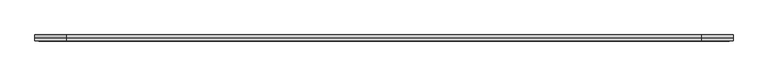
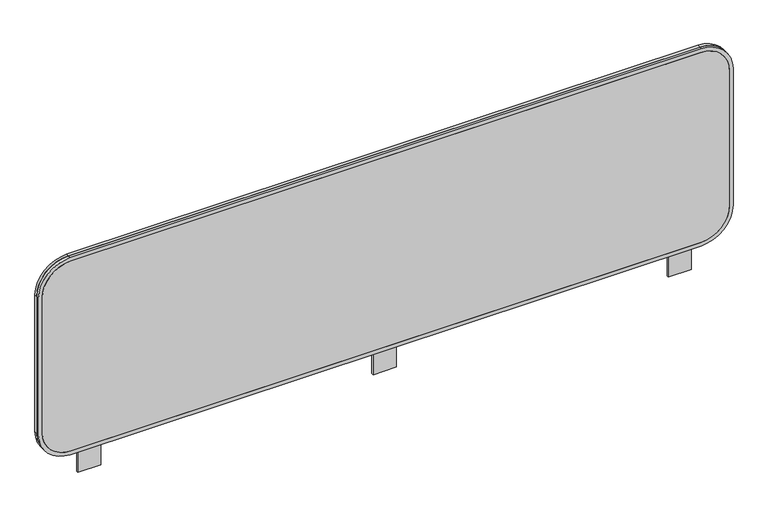
"""IFC4 building model written with IfcOpenShell, lengths in millimetres: furniture geometry."""

from ifc_helpers import new_model, si_unit, point, frame, frame_2d, origin, place, context, project, spatial, polyline, circle_curve, trimmed, segment, composite_curve, outline, extrude, source, transform, mapped, element, save


def furniture_c9e60146(model_context):
    return source(origin(), model_context, "Body", "SweptSolid", [
        extrude(outline(composite_curve([segment(trimmed(circle_curve(frame_2d((1135.9293667, -691.3718382)), 62.1886333), [point((1198.118, -691.3718382))], [point((1135.9293667, -753.5604715))], False, "CARTESIAN"), True, "CONTINUOUS"), segment(polyline([(1135.9293667, -753.5604715), (819.9701825, -753.5604715)]), True, "CONTINUOUS"), segment(trimmed(circle_curve(frame_2d((819.9701825, -691.3304715)), 62.23), [point((819.9701825, -753.5604715))], [point((757.7401825, -691.3304715))], False, "CARTESIAN"), True, "CONTINUOUS"), segment(polyline([(757.7401825, -691.3304715), (757.7401825, 691.3304715)]), True, "CONTINUOUS"), segment(trimmed(circle_curve(frame_2d((819.9701825, 691.3304715)), 62.23), [point((757.7401825, 691.3304715))], [point((819.9701825, 753.5604715))], False, "CARTESIAN"), True, "CONTINUOUS"), segment(polyline([(819.9701825, 753.5604715), (1135.9293667, 753.5604715)]), True, "CONTINUOUS"), segment(trimmed(circle_curve(frame_2d((1135.9293667, 691.3718382)), 62.1886333), [point((1135.9293667, 753.5604715))], [point((1198.118, 691.3718382))], False, "CARTESIAN"), True, "CONTINUOUS"), segment(polyline([(1198.118, 691.3718382), (1198.118, -691.3718382)]), True, "CONTINUOUS")], self_intersect=False)), frame((0.0, -0.6294403, 0.0), z_axis=(0.0, 1.0, 0.0), x_axis=(0.0, 0.0, 1.0)), (0.0, 0.0, 1.0), 6.6302155),
        extrude(outline(polyline([(-25.4, -3.0232193), (-25.4, 1.7519521), (25.4, 1.7519521), (25.4, -3.0232193), (-25.4, -3.0232193)])), frame((0.0, 0.0, 698.5), z_axis=(0.0, 0.0, 1.0), x_axis=(1.0, 0.0, 0.0)), (0.0, 0.0, 1.0), 50.8),
        extrude(outline(polyline([(-673.0994913, -3.0232193), (-673.0994913, 1.7519521), (-622.2994913, 1.7519521), (-622.2994913, -3.0232193), (-673.0994913, -3.0232193)])), frame((0.0, 0.0, 698.5), z_axis=(0.0, 0.0, 1.0), x_axis=(1.0, 0.0, 0.0)), (0.0, 0.0, 1.0), 50.8),
        extrude(outline(polyline([(673.0994913, 1.7519521), (673.0994913, -3.0232193), (622.2994913, -3.0232193), (622.2994913, 1.7519521), (673.0994913, 1.7519521)])), frame((0.0, 0.0, 698.5), z_axis=(0.0, 0.0, 1.0), x_axis=(1.0, 0.0, 0.0)), (0.0, 0.0, 1.0), 50.8),
        extrude(outline(composite_curve([segment(polyline([(1206.5, 692.15), (1206.5, -692.15)]), True, "CONTINUOUS"), segment(trimmed(circle_curve(frame_2d((1136.65, -692.15)), 69.85), [point((1206.5, -692.15))], [point((1136.65, -762.0))], False, "CARTESIAN"), True, "CONTINUOUS"), segment(polyline([(1136.65, -762.0), (819.15, -762.0)]), True, "CONTINUOUS"), segment(trimmed(circle_curve(frame_2d((819.15, -692.15)), 69.85), [point((819.15, -762.0))], [point((749.3, -692.15))], False, "CARTESIAN"), True, "CONTINUOUS"), segment(polyline([(749.3, -692.15), (749.3, 692.15)]), True, "CONTINUOUS"), segment(trimmed(circle_curve(frame_2d((819.15, 692.15)), 69.85), [point((749.3, 692.15))], [point((819.15, 762.0))], False, "CARTESIAN"), True, "CONTINUOUS"), segment(polyline([(819.15, 762.0), (1136.65, 762.0)]), True, "CONTINUOUS"), segment(trimmed(circle_curve(frame_2d((1136.65, 692.15)), 69.85), [point((1136.65, 762.0))], [point((1206.5, 692.15))], False, "CARTESIAN"), True, "CONTINUOUS")], self_intersect=False), holes=[composite_curve([segment(polyline([(757.7401825, 691.3304715), (757.7401825, -691.3304715)]), True, "CONTINUOUS"), segment(trimmed(circle_curve(frame_2d((819.9701825, -691.3304715)), 62.23), [point((757.7401825, -691.3304715))], [point((819.9701825, -753.5604715))], True, "CARTESIAN"), True, "CONTINUOUS"), segment(polyline([(819.9701825, -753.5604715), (1135.9293667, -753.5604715)]), True, "CONTINUOUS"), segment(trimmed(circle_curve(frame_2d((1135.9293667, -691.3718382)), 62.1886333), [point((1135.9293667, -753.5604715))], [point((1198.118, -691.3718382))], True, "CARTESIAN"), True, "CONTINUOUS"), segment(polyline([(1198.118, -691.3718382), (1198.118, 691.3718382)]), True, "CONTINUOUS"), segment(trimmed(circle_curve(frame_2d((1135.9293667, 691.3718382)), 62.1886333), [point((1198.118, 691.3718382))], [point((1135.9293667, 753.5604715))], True, "CARTESIAN"), True, "CONTINUOUS"), segment(polyline([(1135.9293667, 753.5604715), (819.9701825, 753.5604715)]), True, "CONTINUOUS"), segment(trimmed(circle_curve(frame_2d((819.9701825, 691.3304715)), 62.23), [point((819.9701825, 753.5604715))], [point((757.7401825, 691.3304715))], True, "CARTESIAN"), True, "CONTINUOUS")], self_intersect=False)]), frame((0.0, -0.6294403, 0.0), z_axis=(0.0, 1.0, 0.0), x_axis=(0.0, 0.0, 1.0)), (0.0, 0.0, 1.0), 6.6302155),
        extrude(outline(composite_curve([segment(trimmed(circle_curve(frame_2d((819.9701825, 691.3304715)), 62.23), [point((757.7401825, 691.3304715))], [point((819.9701825, 753.5604715))], False, "CARTESIAN"), True, "CONTINUOUS"), segment(polyline([(819.9701825, 753.5604715), (1135.9293667, 753.5604715)]), True, "CONTINUOUS"), segment(trimmed(circle_curve(frame_2d((1135.9293667, 691.3718382)), 62.1886333), [point((1135.9293667, 753.5604715))], [point((1198.118, 691.3718382))], False, "CARTESIAN"), True, "CONTINUOUS"), segment(polyline([(1198.118, 691.3718382), (1198.118, -691.4376498)]), True, "CONTINUOUS"), segment(trimmed(circle_curve(frame_2d((1135.9951783, -691.4376498)), 62.1228217), [point((1198.118, -691.4376498))], [point((1135.9951783, -753.5604715))], False, "CARTESIAN"), True, "CONTINUOUS"), segment(polyline([(1135.9951783, -753.5604715), (819.9701825, -753.5604715)]), True, "CONTINUOUS"), segment(trimmed(circle_curve(frame_2d((819.9701825, -691.3304715)), 62.23), [point((819.9701825, -753.5604715))], [point((757.7401825, -691.3304715))], False, "CARTESIAN"), True, "CONTINUOUS"), segment(polyline([(757.7401825, -691.3304715), (757.7401825, 691.3304715)]), True, "CONTINUOUS")], self_intersect=False)), frame((0.0, -7.2596558, 0.0), z_axis=(0.0, 1.0, 0.0), x_axis=(0.0, 0.0, 1.0)), (0.0, 0.0, 1.0), 6.6302155),
        extrude(outline(composite_curve([segment(polyline([(1206.5, 692.15), (1206.5, -692.15)]), True, "CONTINUOUS"), segment(trimmed(circle_curve(frame_2d((1136.65, -692.15)), 69.85), [point((1206.5, -692.15))], [point((1136.65, -762.0))], False, "CARTESIAN"), True, "CONTINUOUS"), segment(polyline([(1136.65, -762.0), (819.15, -762.0)]), True, "CONTINUOUS"), segment(trimmed(circle_curve(frame_2d((819.15, -692.15)), 69.85), [point((819.15, -762.0))], [point((749.3, -692.15))], False, "CARTESIAN"), True, "CONTINUOUS"), segment(polyline([(749.3, -692.15), (749.3, 692.15)]), True, "CONTINUOUS"), segment(trimmed(circle_curve(frame_2d((819.15, 692.15)), 69.85), [point((749.3, 692.15))], [point((819.15, 762.0))], False, "CARTESIAN"), True, "CONTINUOUS"), segment(polyline([(819.15, 762.0), (1136.65, 762.0)]), True, "CONTINUOUS"), segment(trimmed(circle_curve(frame_2d((1136.65, 692.15)), 69.85), [point((1136.65, 762.0))], [point((1206.5, 692.15))], False, "CARTESIAN"), True, "CONTINUOUS")], self_intersect=False), holes=[composite_curve([segment(polyline([(757.7401825, 691.3304715), (757.7401825, -691.3304715)]), True, "CONTINUOUS"), segment(trimmed(circle_curve(frame_2d((819.9701825, -691.3304715)), 62.23), [point((757.7401825, -691.3304715))], [point((819.9701825, -753.5604715))], True, "CARTESIAN"), True, "CONTINUOUS"), segment(polyline([(819.9701825, -753.5604715), (1135.9293667, -753.5604715)]), True, "CONTINUOUS"), segment(trimmed(circle_curve(frame_2d((1135.9293667, -691.3718382)), 62.1886333), [point((1135.9293667, -753.5604715))], [point((1198.118, -691.3718382))], True, "CARTESIAN"), True, "CONTINUOUS"), segment(polyline([(1198.118, -691.3718382), (1198.118, 691.3718382)]), True, "CONTINUOUS"), segment(trimmed(circle_curve(frame_2d((1135.9293667, 691.3718382)), 62.1886333), [point((1198.118, 691.3718382))], [point((1135.9293667, 753.5604715))], True, "CARTESIAN"), True, "CONTINUOUS"), segment(polyline([(1135.9293667, 753.5604715), (819.9701825, 753.5604715)]), True, "CONTINUOUS"), segment(trimmed(circle_curve(frame_2d((819.9701825, 691.3304715)), 62.23), [point((819.9701825, 753.5604715))], [point((757.7401825, 691.3304715))], True, "CARTESIAN"), True, "CONTINUOUS")], self_intersect=False)]), frame((0.0, -7.2596558, 0.0), z_axis=(0.0, 1.0, 0.0), x_axis=(0.0, 0.0, 1.0)), (0.0, 0.0, 1.0), 6.6302155),
    ])


if __name__ == "__main__":
    model = new_model("IFC4")
    model_context = context("Model", 3, world=origin())
    ifc_project = project(units=[si_unit("LENGTHUNIT", "METRE", prefix="MILLI")], contexts=[model_context])
    site = spatial("IfcSite", under=ifc_project)
    building = spatial("IfcBuilding", under=site)
    placement = place(None, origin())
    furniture_shape = furniture_c9e60146(model_context)
    element("IfcFurniture", 1, at=placement, inside=building, context=model_context, shape_type="MappedRepresentation", body=[
        mapped(furniture_shape, transform((0.0, 0.0, 0.0), x_axis=(1.0, 0.0, 0.0), y_axis=(0.0, 1.0, 0.0), z_axis=(0.0, 0.0, 1.0))),
    ])
    save(model, "model.ifc")
